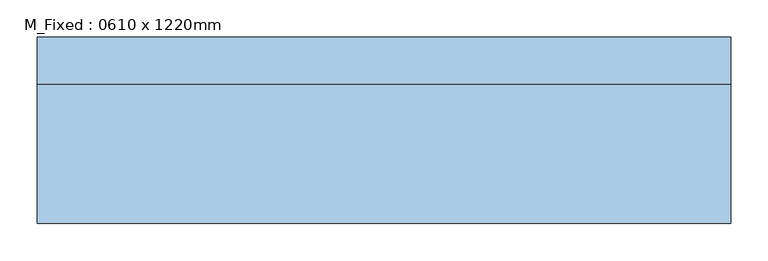
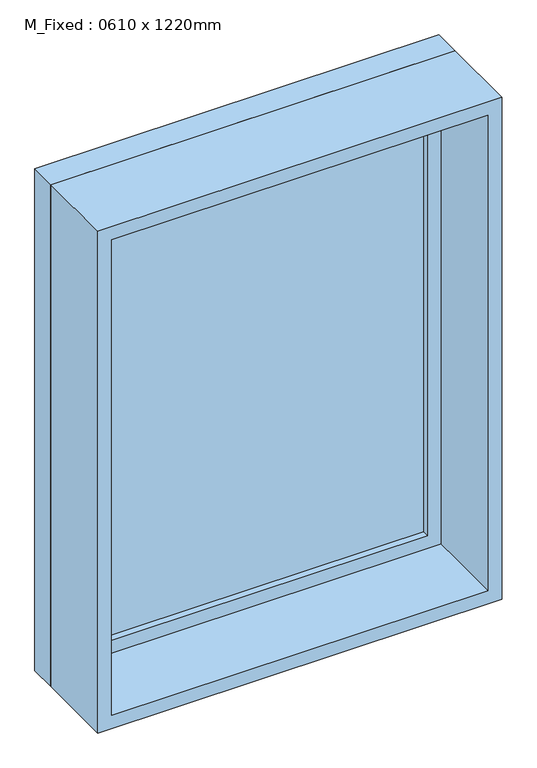
"""IFC4 building model written with IfcOpenShell, lengths in millimetres: window geometry, M_Fixed : 0610 x 1220mm."""

from ifc_helpers import new_model, si_unit, frame, origin, place, context, project, spatial, polyline, outline, extrude, source, transform, mapped, element, save


def m_fixed_0610_x_1220mm_e6a6fb6e(model_context):
    return source(origin(), model_context, "Body", "SweptSolid", [
        extrude(outline(polyline([(-402.0, 103.0), (402.0, 103.0), (402.0, 91.0), (-402.0, 91.0), (-402.0, 103.0)])), frame((0.0, 0.0, 978.0), z_axis=(0.0, 0.0, 1.0), x_axis=(1.0, 0.0, 0.0)), (0.0, 0.0, 1.0), 1094.0),
        extrude(outline(polyline([(2116.0, -446.0), (934.0, -446.0), (934.0, 446.0), (2116.0, 446.0), (2116.0, -446.0)]), holes=[polyline([(2072.0, -402.0), (2072.0, 402.0), (978.0, 402.0), (978.0, -402.0), (2072.0, -402.0)])]), frame((0.0, 75.0, 0.0), z_axis=(0.0, 1.0, 0.0), x_axis=(0.0, 0.0, 1.0)), (0.0, 0.0, 1.0), 44.0),
        extrude(outline(polyline([(2135.0, -465.0), (915.0, -465.0), (915.0, 465.0), (2135.0, 465.0), (2135.0, -465.0)]), holes=[polyline([(2116.0, -446.0), (2116.0, 446.0), (934.0, 446.0), (934.0, -446.0), (2116.0, -446.0)])]), frame((0.0, 75.0, 0.0), z_axis=(0.0, 1.0, 0.0), x_axis=(0.0, 0.0, 1.0)), (0.0, 0.0, 1.0), 63.0),
        extrude(outline(polyline([(2135.0, -465.0), (915.0, -465.0), (915.0, 465.0), (2135.0, 465.0), (2135.0, -465.0)]), holes=[polyline([(2103.0, -433.0), (2103.0, 433.0), (947.0, 433.0), (947.0, -433.0), (2103.0, -433.0)])]), frame((0.0, -112.0, 0.0), z_axis=(0.0, 1.0, 0.0), x_axis=(0.0, 0.0, 1.0)), (0.0, 0.0, 1.0), 187.0),
    ])


if __name__ == "__main__":
    model = new_model("IFC4")
    model_context = context("Model", 3, world=origin())
    ifc_project = project(units=[si_unit("LENGTHUNIT", "METRE", prefix="MILLI")], contexts=[model_context])
    site = spatial("IfcSite", under=ifc_project)
    building = spatial("IfcBuilding", under=site)
    placement = place(None, origin())
    m_fixed_0610_x_1220mm_shape = m_fixed_0610_x_1220mm_e6a6fb6e(model_context)
    element("IfcWindow", 1, ObjectType="M_Fixed : 0610 x 1220mm", at=placement, inside=building, context=model_context, shape_type="MappedRepresentation", body=[
        mapped(m_fixed_0610_x_1220mm_shape, transform((0.0, 0.0, 0.0), x_axis=(1.0, 0.0, 0.0), y_axis=(0.0, 1.0, 0.0), z_axis=(0.0, 0.0, 1.0))),
    ])
    save(model, "model.ifc")
